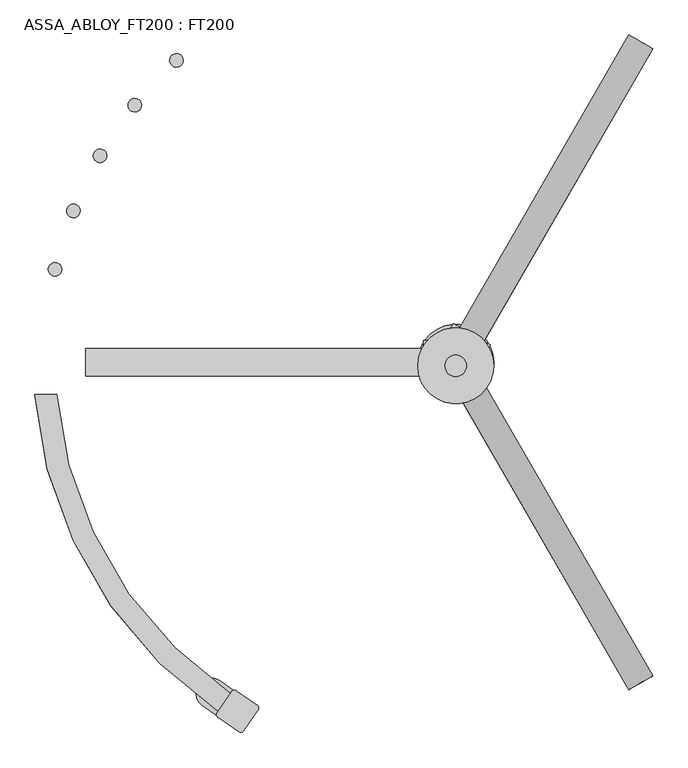
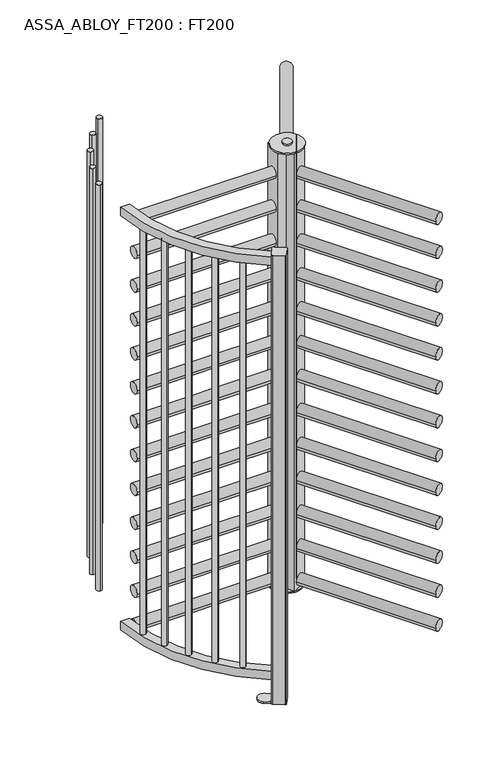
"""IFC4 building model written with IfcOpenShell, lengths in millimetres: proxy geometry, ASSA_ABLOY_FT200 : FT200."""

from ifc_helpers import new_model, si_unit, point, frame, frame_2d, origin, origin_with_axes, origin_2d, place, context, project, spatial, polyline, circle_curve, trimmed, segment, composite_curve, outline, extrude, source, transform, mapped, element, save
from ifc_brep_helpers import plane_surface, cylinder_surface, advanced_brep


def assa_abloy_ft200_ft200_decb2d0e(model_context):
    return source(origin(), model_context, "Body", "SolidModel", [
        extrude(outline(composite_curve([segment(trimmed(circle_curve(frame_2d((25.5, -2.28e-05)), 25.5), [point((25.5, 25.4999772))], [point((25.5, -25.5000228))], False, "CARTESIAN"), True, "CONTINUOUS"), segment(trimmed(circle_curve(frame_2d((25.5, -2.28e-05)), 25.5), [point((25.5, -25.5000228))], [point((25.5, 25.4999772))], False, "CARTESIAN"), True, "CONTINUOUS")], self_intersect=False)), frame((342.9175003, -594.0003728, 37.0), z_axis=(-0.49996853474322756, 0.866043569496772, 0.0), x_axis=(0.0, 0.0, 1.0)), (0.0, 0.0, 1.0), 625.9000001),
        extrude(outline(composite_curve([segment(trimmed(circle_curve(frame_2d((186.5, -2.28e-05)), 25.5), [point((186.5, 25.4999772))], [point((186.5, -25.5000228))], False, "CARTESIAN"), True, "CONTINUOUS"), segment(trimmed(circle_curve(frame_2d((186.5, -2.28e-05)), 25.5), [point((186.5, -25.5000228))], [point((186.5, 25.4999772))], False, "CARTESIAN"), True, "CONTINUOUS")], self_intersect=False)), frame((342.9175003, -594.0003728, 37.0), z_axis=(-0.49996853474322756, 0.866043569496772, 0.0), x_axis=(0.0, 0.0, 1.0)), (0.0, 0.0, 1.0), 625.9000001),
        extrude(outline(composite_curve([segment(trimmed(circle_curve(frame_2d((347.5, -2.28e-05)), 25.5), [point((347.5, 25.4999772))], [point((347.5, -25.5000228))], False, "CARTESIAN"), True, "CONTINUOUS"), segment(trimmed(circle_curve(frame_2d((347.5, -2.28e-05)), 25.5), [point((347.5, -25.5000228))], [point((347.5, 25.4999772))], False, "CARTESIAN"), True, "CONTINUOUS")], self_intersect=False)), frame((342.9175003, -594.0003728, 37.0), z_axis=(-0.49996853474322756, 0.866043569496772, 0.0), x_axis=(0.0, 0.0, 1.0)), (0.0, 0.0, 1.0), 625.9000001),
        extrude(outline(composite_curve([segment(trimmed(circle_curve(frame_2d((508.5, -2.28e-05)), 25.5), [point((508.5, 25.4999772))], [point((508.5, -25.5000228))], False, "CARTESIAN"), True, "CONTINUOUS"), segment(trimmed(circle_curve(frame_2d((508.5, -2.28e-05)), 25.5), [point((508.5, -25.5000228))], [point((508.5, 25.4999772))], False, "CARTESIAN"), True, "CONTINUOUS")], self_intersect=False)), frame((342.9175003, -594.0003728, 37.0), z_axis=(-0.49996853474322756, 0.866043569496772, 0.0), x_axis=(0.0, 0.0, 1.0)), (0.0, 0.0, 1.0), 625.9000001),
        extrude(outline(composite_curve([segment(trimmed(circle_curve(frame_2d((669.5, -2.28e-05)), 25.5), [point((669.5, 25.4999772))], [point((669.5, -25.5000228))], False, "CARTESIAN"), True, "CONTINUOUS"), segment(trimmed(circle_curve(frame_2d((669.5, -2.28e-05)), 25.5), [point((669.5, -25.5000228))], [point((669.5, 25.4999772))], False, "CARTESIAN"), True, "CONTINUOUS")], self_intersect=False)), frame((342.9175003, -594.0003728, 37.0), z_axis=(-0.49996853474322756, 0.866043569496772, 0.0), x_axis=(0.0, 0.0, 1.0)), (0.0, 0.0, 1.0), 625.9000001),
        extrude(outline(composite_curve([segment(trimmed(circle_curve(frame_2d((830.5, -2.28e-05)), 25.5), [point((830.5, 25.4999772))], [point((830.5, -25.5000228))], False, "CARTESIAN"), True, "CONTINUOUS"), segment(trimmed(circle_curve(frame_2d((830.5, -2.28e-05)), 25.5), [point((830.5, -25.5000228))], [point((830.5, 25.4999772))], False, "CARTESIAN"), True, "CONTINUOUS")], self_intersect=False)), frame((342.9175003, -594.0003728, 37.0), z_axis=(-0.49996853474322756, 0.866043569496772, 0.0), x_axis=(0.0, 0.0, 1.0)), (0.0, 0.0, 1.0), 625.9000001),
        extrude(outline(composite_curve([segment(trimmed(circle_curve(frame_2d((991.5, -2.28e-05)), 25.5), [point((991.5, 25.4999772))], [point((991.5, -25.5000228))], False, "CARTESIAN"), True, "CONTINUOUS"), segment(trimmed(circle_curve(frame_2d((991.5, -2.28e-05)), 25.5), [point((991.5, -25.5000228))], [point((991.5, 25.4999772))], False, "CARTESIAN"), True, "CONTINUOUS")], self_intersect=False)), frame((342.9175003, -594.0003728, 37.0), z_axis=(-0.49996853474322756, 0.866043569496772, 0.0), x_axis=(0.0, 0.0, 1.0)), (0.0, 0.0, 1.0), 625.9000001),
        extrude(outline(composite_curve([segment(trimmed(circle_curve(frame_2d((1152.5, -2.28e-05)), 25.5), [point((1152.5, 25.4999772))], [point((1152.5, -25.5000228))], False, "CARTESIAN"), True, "CONTINUOUS"), segment(trimmed(circle_curve(frame_2d((1152.5, -2.28e-05)), 25.5), [point((1152.5, -25.5000228))], [point((1152.5, 25.4999772))], False, "CARTESIAN"), True, "CONTINUOUS")], self_intersect=False)), frame((342.9175003, -594.0003728, 37.0), z_axis=(-0.49996853474322756, 0.866043569496772, 0.0), x_axis=(0.0, 0.0, 1.0)), (0.0, 0.0, 1.0), 625.9000001),
        extrude(outline(composite_curve([segment(trimmed(circle_curve(frame_2d((1313.5, -2.28e-05)), 25.5), [point((1313.5, 25.4999772))], [point((1313.5, -25.5000228))], False, "CARTESIAN"), True, "CONTINUOUS"), segment(trimmed(circle_curve(frame_2d((1313.5, -2.28e-05)), 25.5), [point((1313.5, -25.5000228))], [point((1313.5, 25.4999772))], False, "CARTESIAN"), True, "CONTINUOUS")], self_intersect=False)), frame((342.9175003, -594.0003728, 37.0), z_axis=(-0.49996853474322756, 0.866043569496772, 0.0), x_axis=(0.0, 0.0, 1.0)), (0.0, 0.0, 1.0), 625.9000001),
        extrude(outline(composite_curve([segment(trimmed(circle_curve(frame_2d((1474.5, -2.28e-05)), 25.5), [point((1474.5, 25.4999772))], [point((1474.5, -25.5000228))], False, "CARTESIAN"), True, "CONTINUOUS"), segment(trimmed(circle_curve(frame_2d((1474.5, -2.28e-05)), 25.5), [point((1474.5, -25.5000228))], [point((1474.5, 25.4999772))], False, "CARTESIAN"), True, "CONTINUOUS")], self_intersect=False)), frame((342.9175003, -594.0003728, 37.0), z_axis=(-0.49996853474322756, 0.866043569496772, 0.0), x_axis=(0.0, 0.0, 1.0)), (0.0, 0.0, 1.0), 625.9000001),
        extrude(outline(composite_curve([segment(trimmed(circle_curve(frame_2d((1635.5, -2.28e-05)), 25.5), [point((1635.5, 25.4999772))], [point((1635.5, -25.5000228))], False, "CARTESIAN"), True, "CONTINUOUS"), segment(trimmed(circle_curve(frame_2d((1635.5, -2.28e-05)), 25.5), [point((1635.5, -25.5000228))], [point((1635.5, 25.4999772))], False, "CARTESIAN"), True, "CONTINUOUS")], self_intersect=False)), frame((342.9175003, -594.0003728, 37.0), z_axis=(-0.49996853474322756, 0.866043569496772, 0.0), x_axis=(0.0, 0.0, 1.0)), (0.0, 0.0, 1.0), 625.9000001),
        extrude(outline(composite_curve([segment(trimmed(circle_curve(frame_2d((1796.5, -2.28e-05)), 25.5), [point((1796.5, 25.4999772))], [point((1796.5, -25.5000228))], False, "CARTESIAN"), True, "CONTINUOUS"), segment(trimmed(circle_curve(frame_2d((1796.5, -2.28e-05)), 25.5), [point((1796.5, -25.5000228))], [point((1796.5, 25.4999772))], False, "CARTESIAN"), True, "CONTINUOUS")], self_intersect=False)), frame((342.9175003, -594.0003728, 37.0), z_axis=(-0.49996853474322756, 0.866043569496772, 0.0), x_axis=(0.0, 0.0, 1.0)), (0.0, 0.0, 1.0), 625.9000001),
        extrude(outline(composite_curve([segment(trimmed(circle_curve(frame_2d((1957.5, -2.28e-05)), 25.5), [point((1957.5, 25.4999772))], [point((1957.5, -25.5000228))], False, "CARTESIAN"), True, "CONTINUOUS"), segment(trimmed(circle_curve(frame_2d((1957.5, -2.28e-05)), 25.5), [point((1957.5, -25.5000228))], [point((1957.5, 25.4999772))], False, "CARTESIAN"), True, "CONTINUOUS")], self_intersect=False)), frame((342.9175003, -594.0003728, 37.0), z_axis=(-0.49996853474322756, 0.866043569496772, 0.0), x_axis=(0.0, 0.0, 1.0)), (0.0, 0.0, 1.0), 625.9000001),
        extrude(outline(composite_curve([segment(trimmed(circle_curve(frame_2d((25.5, 2.28e-05)), 25.5), [point((25.5, -25.4999772))], [point((25.5, 25.5000228))], False, "CARTESIAN"), True, "CONTINUOUS"), segment(trimmed(circle_curve(frame_2d((25.5, 2.28e-05)), 25.5), [point((25.5, 25.5000228))], [point((25.5, -25.4999772))], False, "CARTESIAN"), True, "CONTINUOUS")], self_intersect=False)), frame((29.9917907, 51.946396, 37.0), z_axis=(0.5000065646043345, 0.8660216136751852, 0.0), x_axis=(0.0, 0.0, 1.0)), (0.0, 0.0, 1.0), 625.9),
        extrude(outline(composite_curve([segment(trimmed(circle_curve(frame_2d((186.5, 2.28e-05)), 25.5), [point((186.5, -25.4999772))], [point((186.5, 25.5000228))], False, "CARTESIAN"), True, "CONTINUOUS"), segment(trimmed(circle_curve(frame_2d((186.5, 2.28e-05)), 25.5), [point((186.5, 25.5000228))], [point((186.5, -25.4999772))], False, "CARTESIAN"), True, "CONTINUOUS")], self_intersect=False)), frame((29.9917907, 51.946396, 37.0), z_axis=(0.5000065646043345, 0.8660216136751852, 0.0), x_axis=(0.0, 0.0, 1.0)), (0.0, 0.0, 1.0), 625.9),
        extrude(outline(composite_curve([segment(trimmed(circle_curve(frame_2d((347.5, 2.28e-05)), 25.5), [point((347.5, -25.4999772))], [point((347.5, 25.5000228))], False, "CARTESIAN"), True, "CONTINUOUS"), segment(trimmed(circle_curve(frame_2d((347.5, 2.28e-05)), 25.5), [point((347.5, 25.5000228))], [point((347.5, -25.4999772))], False, "CARTESIAN"), True, "CONTINUOUS")], self_intersect=False)), frame((29.9917907, 51.946396, 37.0), z_axis=(0.5000065646043345, 0.8660216136751852, 0.0), x_axis=(0.0, 0.0, 1.0)), (0.0, 0.0, 1.0), 625.9),
        extrude(outline(composite_curve([segment(trimmed(circle_curve(frame_2d((508.5, 2.28e-05)), 25.5), [point((508.5, -25.4999772))], [point((508.5, 25.5000228))], False, "CARTESIAN"), True, "CONTINUOUS"), segment(trimmed(circle_curve(frame_2d((508.5, 2.28e-05)), 25.5), [point((508.5, 25.5000228))], [point((508.5, -25.4999772))], False, "CARTESIAN"), True, "CONTINUOUS")], self_intersect=False)), frame((29.9917907, 51.946396, 37.0), z_axis=(0.5000065646043345, 0.8660216136751852, 0.0), x_axis=(0.0, 0.0, 1.0)), (0.0, 0.0, 1.0), 625.9),
        extrude(outline(composite_curve([segment(trimmed(circle_curve(frame_2d((669.5, 2.28e-05)), 25.5), [point((669.5, -25.4999772))], [point((669.5, 25.5000228))], False, "CARTESIAN"), True, "CONTINUOUS"), segment(trimmed(circle_curve(frame_2d((669.5, 2.28e-05)), 25.5), [point((669.5, 25.5000228))], [point((669.5, -25.4999772))], False, "CARTESIAN"), True, "CONTINUOUS")], self_intersect=False)), frame((29.9917907, 51.946396, 37.0), z_axis=(0.5000065646043345, 0.8660216136751852, 0.0), x_axis=(0.0, 0.0, 1.0)), (0.0, 0.0, 1.0), 625.9),
        extrude(outline(composite_curve([segment(trimmed(circle_curve(frame_2d((830.5, 2.28e-05)), 25.5), [point((830.5, -25.4999772))], [point((830.5, 25.5000228))], False, "CARTESIAN"), True, "CONTINUOUS"), segment(trimmed(circle_curve(frame_2d((830.5, 2.28e-05)), 25.5), [point((830.5, 25.5000228))], [point((830.5, -25.4999772))], False, "CARTESIAN"), True, "CONTINUOUS")], self_intersect=False)), frame((29.9917907, 51.946396, 37.0), z_axis=(0.5000065646043345, 0.8660216136751852, 0.0), x_axis=(0.0, 0.0, 1.0)), (0.0, 0.0, 1.0), 625.9),
        extrude(outline(composite_curve([segment(trimmed(circle_curve(frame_2d((991.5, 2.28e-05)), 25.5), [point((991.5, -25.4999772))], [point((991.5, 25.5000228))], False, "CARTESIAN"), True, "CONTINUOUS"), segment(trimmed(circle_curve(frame_2d((991.5, 2.28e-05)), 25.5), [point((991.5, 25.5000228))], [point((991.5, -25.4999772))], False, "CARTESIAN"), True, "CONTINUOUS")], self_intersect=False)), frame((29.9917907, 51.946396, 37.0), z_axis=(0.5000065646043345, 0.8660216136751852, 0.0), x_axis=(0.0, 0.0, 1.0)), (0.0, 0.0, 1.0), 625.9),
        extrude(outline(composite_curve([segment(trimmed(circle_curve(frame_2d((1152.5, 2.28e-05)), 25.5), [point((1152.5, -25.4999772))], [point((1152.5, 25.5000228))], False, "CARTESIAN"), True, "CONTINUOUS"), segment(trimmed(circle_curve(frame_2d((1152.5, 2.28e-05)), 25.5), [point((1152.5, 25.5000228))], [point((1152.5, -25.4999772))], False, "CARTESIAN"), True, "CONTINUOUS")], self_intersect=False)), frame((29.9917907, 51.946396, 37.0), z_axis=(0.5000065646043345, 0.8660216136751852, 0.0), x_axis=(0.0, 0.0, 1.0)), (0.0, 0.0, 1.0), 625.9),
        extrude(outline(composite_curve([segment(trimmed(circle_curve(frame_2d((1313.5, 2.28e-05)), 25.5), [point((1313.5, -25.4999772))], [point((1313.5, 25.5000228))], False, "CARTESIAN"), True, "CONTINUOUS"), segment(trimmed(circle_curve(frame_2d((1313.5, 2.28e-05)), 25.5), [point((1313.5, 25.5000228))], [point((1313.5, -25.4999772))], False, "CARTESIAN"), True, "CONTINUOUS")], self_intersect=False)), frame((29.9917907, 51.946396, 37.0), z_axis=(0.5000065646043345, 0.8660216136751852, 0.0), x_axis=(0.0, 0.0, 1.0)), (0.0, 0.0, 1.0), 625.9),
        extrude(outline(composite_curve([segment(trimmed(circle_curve(frame_2d((1474.5, 2.28e-05)), 25.5), [point((1474.5, -25.4999772))], [point((1474.5, 25.5000228))], False, "CARTESIAN"), True, "CONTINUOUS"), segment(trimmed(circle_curve(frame_2d((1474.5, 2.28e-05)), 25.5), [point((1474.5, 25.5000228))], [point((1474.5, -25.4999772))], False, "CARTESIAN"), True, "CONTINUOUS")], self_intersect=False)), frame((29.9917907, 51.946396, 37.0), z_axis=(0.5000065646043345, 0.8660216136751852, 0.0), x_axis=(0.0, 0.0, 1.0)), (0.0, 0.0, 1.0), 625.9),
        extrude(outline(composite_curve([segment(trimmed(circle_curve(frame_2d((1635.5, 2.28e-05)), 25.5), [point((1635.5, -25.4999772))], [point((1635.5, 25.5000228))], False, "CARTESIAN"), True, "CONTINUOUS"), segment(trimmed(circle_curve(frame_2d((1635.5, 2.28e-05)), 25.5), [point((1635.5, 25.5000228))], [point((1635.5, -25.4999772))], False, "CARTESIAN"), True, "CONTINUOUS")], self_intersect=False)), frame((29.9917907, 51.946396, 37.0), z_axis=(0.5000065646043345, 0.8660216136751852, 0.0), x_axis=(0.0, 0.0, 1.0)), (0.0, 0.0, 1.0), 625.9),
        extrude(outline(composite_curve([segment(trimmed(circle_curve(frame_2d((1796.5, 2.28e-05)), 25.5), [point((1796.5, -25.4999772))], [point((1796.5, 25.5000228))], False, "CARTESIAN"), True, "CONTINUOUS"), segment(trimmed(circle_curve(frame_2d((1796.5, 2.28e-05)), 25.5), [point((1796.5, 25.5000228))], [point((1796.5, -25.4999772))], False, "CARTESIAN"), True, "CONTINUOUS")], self_intersect=False)), frame((29.9917907, 51.946396, 37.0), z_axis=(0.5000065646043345, 0.8660216136751852, 0.0), x_axis=(0.0, 0.0, 1.0)), (0.0, 0.0, 1.0), 625.9),
        extrude(outline(composite_curve([segment(trimmed(circle_curve(frame_2d((1957.5, 2.28e-05)), 25.5), [point((1957.5, -25.4999772))], [point((1957.5, 25.5000228))], False, "CARTESIAN"), True, "CONTINUOUS"), segment(trimmed(circle_curve(frame_2d((1957.5, 2.28e-05)), 25.5), [point((1957.5, 25.5000228))], [point((1957.5, -25.4999772))], False, "CARTESIAN"), True, "CONTINUOUS")], self_intersect=False)), frame((29.9917907, 51.946396, 37.0), z_axis=(0.5000065646043345, 0.8660216136751852, 0.0), x_axis=(0.0, 0.0, 1.0)), (0.0, 0.0, 1.0), 625.9),
        extrude(outline(composite_curve([segment(trimmed(circle_curve(frame_2d((0.0, 62.5)), 25.5), [point((-25.5, 62.5))], [point((25.5, 62.5))], False, "CARTESIAN"), True, "CONTINUOUS"), segment(trimmed(circle_curve(frame_2d((0.0, 62.5)), 25.5), [point((25.5, 62.5))], [point((-25.5, 62.5))], False, "CARTESIAN"), True, "CONTINUOUS")], self_intersect=False)), frame((-685.9, 0.0, 0.0), z_axis=(1.0, 0.0, 0.0), x_axis=(0.0, 1.0, 0.0)), (0.0, 0.0, 1.0), 625.9),
        extrude(outline(composite_curve([segment(trimmed(circle_curve(frame_2d((0.0, 223.5)), 25.5), [point((-25.5, 223.5))], [point((25.5, 223.5))], False, "CARTESIAN"), True, "CONTINUOUS"), segment(trimmed(circle_curve(frame_2d((0.0, 223.5)), 25.5), [point((25.5, 223.5))], [point((-25.5, 223.5))], False, "CARTESIAN"), True, "CONTINUOUS")], self_intersect=False)), frame((-685.9, 0.0, 0.0), z_axis=(1.0, 0.0, 0.0), x_axis=(0.0, 1.0, 0.0)), (0.0, 0.0, 1.0), 625.9),
        extrude(outline(composite_curve([segment(trimmed(circle_curve(frame_2d((0.0, 384.5)), 25.5), [point((-25.5, 384.5))], [point((25.5, 384.5))], False, "CARTESIAN"), True, "CONTINUOUS"), segment(trimmed(circle_curve(frame_2d((0.0, 384.5)), 25.5), [point((25.5, 384.5))], [point((-25.5, 384.5))], False, "CARTESIAN"), True, "CONTINUOUS")], self_intersect=False)), frame((-685.9, 0.0, 0.0), z_axis=(1.0, 0.0, 0.0), x_axis=(0.0, 1.0, 0.0)), (0.0, 0.0, 1.0), 625.9),
        extrude(outline(composite_curve([segment(trimmed(circle_curve(frame_2d((0.0, 545.5)), 25.5), [point((-25.5, 545.5))], [point((25.5, 545.5))], False, "CARTESIAN"), True, "CONTINUOUS"), segment(trimmed(circle_curve(frame_2d((0.0, 545.5)), 25.5), [point((25.5, 545.5))], [point((-25.5, 545.5))], False, "CARTESIAN"), True, "CONTINUOUS")], self_intersect=False)), frame((-685.9, 0.0, 0.0), z_axis=(1.0, 0.0, 0.0), x_axis=(0.0, 1.0, 0.0)), (0.0, 0.0, 1.0), 625.9),
        extrude(outline(composite_curve([segment(trimmed(circle_curve(frame_2d((0.0, 706.5)), 25.5), [point((-25.5, 706.5))], [point((25.5, 706.5))], False, "CARTESIAN"), True, "CONTINUOUS"), segment(trimmed(circle_curve(frame_2d((0.0, 706.5)), 25.5), [point((25.5, 706.5))], [point((-25.5, 706.5))], False, "CARTESIAN"), True, "CONTINUOUS")], self_intersect=False)), frame((-685.9, 0.0, 0.0), z_axis=(1.0, 0.0, 0.0), x_axis=(0.0, 1.0, 0.0)), (0.0, 0.0, 1.0), 625.9),
        extrude(outline(composite_curve([segment(trimmed(circle_curve(frame_2d((0.0, 867.5)), 25.5), [point((-25.5, 867.5))], [point((25.5, 867.5))], False, "CARTESIAN"), True, "CONTINUOUS"), segment(trimmed(circle_curve(frame_2d((0.0, 867.5)), 25.5), [point((25.5, 867.5))], [point((-25.5, 867.5))], False, "CARTESIAN"), True, "CONTINUOUS")], self_intersect=False)), frame((-685.9, 0.0, 0.0), z_axis=(1.0, 0.0, 0.0), x_axis=(0.0, 1.0, 0.0)), (0.0, 0.0, 1.0), 625.9),
        extrude(outline(composite_curve([segment(trimmed(circle_curve(frame_2d((0.0, 1028.5)), 25.5), [point((-25.5, 1028.5))], [point((25.5, 1028.5))], False, "CARTESIAN"), True, "CONTINUOUS"), segment(trimmed(circle_curve(frame_2d((0.0, 1028.5)), 25.5), [point((25.5, 1028.5))], [point((-25.5, 1028.5))], False, "CARTESIAN"), True, "CONTINUOUS")], self_intersect=False)), frame((-685.9, 0.0, 0.0), z_axis=(1.0, 0.0, 0.0), x_axis=(0.0, 1.0, 0.0)), (0.0, 0.0, 1.0), 625.9),
        extrude(outline(composite_curve([segment(trimmed(circle_curve(frame_2d((0.0, 1189.5)), 25.5), [point((-25.5, 1189.5))], [point((25.5, 1189.5))], False, "CARTESIAN"), True, "CONTINUOUS"), segment(trimmed(circle_curve(frame_2d((0.0, 1189.5)), 25.5), [point((25.5, 1189.5))], [point((-25.5, 1189.5))], False, "CARTESIAN"), True, "CONTINUOUS")], self_intersect=False)), frame((-685.9, 0.0, 0.0), z_axis=(1.0, 0.0, 0.0), x_axis=(0.0, 1.0, 0.0)), (0.0, 0.0, 1.0), 625.9),
        extrude(outline(composite_curve([segment(trimmed(circle_curve(frame_2d((0.0, 1350.5)), 25.5), [point((-25.5, 1350.5))], [point((25.5, 1350.5))], False, "CARTESIAN"), True, "CONTINUOUS"), segment(trimmed(circle_curve(frame_2d((0.0, 1350.5)), 25.5), [point((25.5, 1350.5))], [point((-25.5, 1350.5))], False, "CARTESIAN"), True, "CONTINUOUS")], self_intersect=False)), frame((-685.9, 0.0, 0.0), z_axis=(1.0, 0.0, 0.0), x_axis=(0.0, 1.0, 0.0)), (0.0, 0.0, 1.0), 625.9),
        extrude(outline(composite_curve([segment(trimmed(circle_curve(frame_2d((0.0, 1511.5)), 25.5), [point((-25.5, 1511.5))], [point((25.5, 1511.5))], False, "CARTESIAN"), True, "CONTINUOUS"), segment(trimmed(circle_curve(frame_2d((0.0, 1511.5)), 25.5), [point((25.5, 1511.5))], [point((-25.5, 1511.5))], False, "CARTESIAN"), True, "CONTINUOUS")], self_intersect=False)), frame((-685.9, 0.0, 0.0), z_axis=(1.0, 0.0, 0.0), x_axis=(0.0, 1.0, 0.0)), (0.0, 0.0, 1.0), 625.9),
        extrude(outline(composite_curve([segment(trimmed(circle_curve(frame_2d((0.0, 1672.5)), 25.5), [point((-25.5, 1672.5))], [point((25.5, 1672.5))], False, "CARTESIAN"), True, "CONTINUOUS"), segment(trimmed(circle_curve(frame_2d((0.0, 1672.5)), 25.5), [point((25.5, 1672.5))], [point((-25.5, 1672.5))], False, "CARTESIAN"), True, "CONTINUOUS")], self_intersect=False)), frame((-685.9, 0.0, 0.0), z_axis=(1.0, 0.0, 0.0), x_axis=(0.0, 1.0, 0.0)), (0.0, 0.0, 1.0), 625.9),
        extrude(outline(composite_curve([segment(trimmed(circle_curve(frame_2d((0.0, 1833.5)), 25.5), [point((-25.5, 1833.5))], [point((25.5, 1833.5))], False, "CARTESIAN"), True, "CONTINUOUS"), segment(trimmed(circle_curve(frame_2d((0.0, 1833.5)), 25.5), [point((25.5, 1833.5))], [point((-25.5, 1833.5))], False, "CARTESIAN"), True, "CONTINUOUS")], self_intersect=False)), frame((-685.9, 0.0, 0.0), z_axis=(1.0, 0.0, 0.0), x_axis=(0.0, 1.0, 0.0)), (0.0, 0.0, 1.0), 625.9),
        extrude(outline(composite_curve([segment(trimmed(circle_curve(frame_2d((0.0, 1994.5)), 25.5), [point((-25.5, 1994.5))], [point((25.5, 1994.5))], False, "CARTESIAN"), True, "CONTINUOUS"), segment(trimmed(circle_curve(frame_2d((0.0, 1994.5)), 25.5), [point((25.5, 1994.5))], [point((-25.5, 1994.5))], False, "CARTESIAN"), True, "CONTINUOUS")], self_intersect=False)), frame((-685.9, 0.0, 0.0), z_axis=(1.0, 0.0, 0.0), x_axis=(0.0, 1.0, 0.0)), (0.0, 0.0, 1.0), 625.9),
        extrude(outline(composite_curve([segment(trimmed(circle_curve(frame_2d((-0.0003681, -6.5842658)), 20.0), [point((19.9996319, -6.5842658))], [point((-20.0003681, -6.5842658))], False, "CARTESIAN"), True, "CONTINUOUS"), segment(trimmed(circle_curve(frame_2d((-0.0003681, -6.5842658)), 20.0), [point((-20.0003681, -6.5842658))], [point((19.9996319, -6.5842658))], False, "CARTESIAN"), True, "CONTINUOUS")], self_intersect=False)), frame((0.0, 0.0, 2116.4999542), z_axis=(0.0, 0.0, 1.0), x_axis=(1.0, 0.0, 0.0)), (0.0, 0.0, 1.0), 8.5),
        extrude(outline(composite_curve([segment(trimmed(circle_curve(frame_2d((-0.0003681, -6.5842658)), 70.5), [point((70.4996319, -6.5842658))], [point((-70.5003681, -6.5842658))], False, "CARTESIAN"), True, "CONTINUOUS"), segment(trimmed(circle_curve(frame_2d((-0.0003681, -6.5842658)), 70.5), [point((-70.5003681, -6.5842658))], [point((70.4996319, -6.5842658))], False, "CARTESIAN"), True, "CONTINUOUS")], self_intersect=False)), frame((0.0, 0.0, 2110.4999695), z_axis=(0.0, 0.0, 1.0), x_axis=(1.0, 0.0, 0.0)), (0.0, 0.0, 1.0), 5.9999847),
        extrude(outline(composite_curve([segment(trimmed(circle_curve(frame_2d((-0.0003681, 0.0)), 20.0), [point((19.9996319, 0.0))], [point((-20.0003681, 0.0))], False, "CARTESIAN"), True, "CONTINUOUS"), segment(trimmed(circle_curve(frame_2d((-0.0003681, 0.0)), 20.0), [point((-20.0003681, 0.0))], [point((19.9996319, 0.0))], False, "CARTESIAN"), True, "CONTINUOUS")], self_intersect=False)), frame((0.0, 0.0, 8.0), z_axis=(0.0, 0.0, 1.0), x_axis=(1.0, 0.0, 0.0)), (0.0, 0.0, 1.0), 13.0),
        extrude(outline(composite_curve([segment(trimmed(circle_curve(frame_2d((-0.0003681, 0.0)), 70.5), [point((70.4996319, 0.0))], [point((-70.5003681, 0.0))], False, "CARTESIAN"), True, "CONTINUOUS"), segment(trimmed(circle_curve(frame_2d((-0.0003681, 0.0)), 70.5), [point((-70.5003681, 0.0))], [point((70.4996319, 0.0))], False, "CARTESIAN"), True, "CONTINUOUS")], self_intersect=False)), frame((0.0, 0.0, 21.0), z_axis=(0.0, 0.0, 1.0), x_axis=(1.0, 0.0, 0.0)), (0.0, 0.0, 1.0), 5.9999847),
        extrude(outline(polyline([(-23.0942963, 39.9999606), (-4.6494225, 71.9468599), (64.6324519, 31.9462508), (46.1879562, 0.0), (63.2809074, -32.7231813), (-4.2026102, -71.6815392), (-23.0942625, -40.0000191), (-60.0, -40.0000191), (-60.0, 39.9999734), (-23.0942963, 39.9999606)])), frame((0.0, 0.0, 26.9999847), z_axis=(0.0, 0.0, 1.0), x_axis=(1.0, 0.0, 0.0)), (0.0, 0.0, 1.0), 2083.4999847),
        advanced_brep(
        [(-739.8778981, -184.2583889, 148.5), (-745.5035047, -159.8995664, 148.5), (-739.8778981, -184.2583889, 2077.0), (-745.4688441, -159.8915876, 2077.0)],
        [
            (0, 1, circle_curve(frame((-742.6820377, -172.0769768, 148.5), z_axis=(0.0, 0.0, -1.0), x_axis=(-0.22571736015093902, 0.9741928316952919, 0.0)), 12.5)),
            (1, 0, circle_curve(frame((-742.6820377, -172.0769768, 148.5), z_axis=(0.0, 0.0, -1.0), x_axis=(-0.22571736015093902, 0.9741928316952919, 0.0)), 12.5)),
            (2, 3, circle_curve(frame((-742.6820377, -172.0769768, 2077.0), z_axis=(0.0, 0.0, 1.0), x_axis=(-0.22571736015093902, 0.9741928316952919, 0.0)), 12.5)),
            (3, 2, circle_curve(frame((-742.6820377, -172.0769768, 2077.0), z_axis=(0.0, 0.0, 1.0), x_axis=(-0.22571736015093902, 0.9741928316952919, 0.0)), 12.5)),
            (0, 2),
            (3, 1),
        ],
        [
            plane_surface(frame((-742.7246149, -172.0869154, 148.5), z_axis=(0.0, 0.0, -1.0), x_axis=(-0.9741928316952919, -0.22571736015093902, 0.0))),
            plane_surface(frame((-742.7246149, -172.0869154, 2077.0), z_axis=(0.0, 0.0, 1.0), x_axis=(-0.9741928316952919, -0.22571736015093902, 0.0))),
            cylinder_surface(frame((-742.6820377, -172.0769768, 148.5), z_axis=(0.0, 0.0, -1.0), x_axis=(-0.22571736015093902, 0.9741928316952919, 0.0)), 12.5),
        ],
        [
            (0, [[1, 2]]),
            (1, [[3, 4]]),
            (2, [[-1, 5, -4, 6]]),
            (2, [[-2, -6, -3, -5]]),
        ],
    ),
        advanced_brep(
        [(-713.5184052, -268.8158202, 148.5), (-704.2725675, -292.0432645, 148.5), (-713.5184052, -268.8158202, 2077.0), (-704.3056197, -292.0563939, 2077.0)],
        [
            (0, 1, circle_curve(frame((-708.903747, -280.4328306, 148.5), z_axis=(0.0, 0.0, -1.0), x_axis=(-0.36785018396747954, 0.9298850693258235, 0.0)), 12.5)),
            (1, 0, circle_curve(frame((-708.903747, -280.4328306, 148.5), z_axis=(0.0, 0.0, -1.0), x_axis=(-0.36785018396747954, 0.9298850693258235, 0.0)), 12.5)),
            (2, 3, circle_curve(frame((-708.903747, -280.4328306, 2077.0), z_axis=(0.0, 0.0, 1.0), x_axis=(-0.36785018396747954, 0.9298850693258235, 0.0)), 12.5)),
            (3, 2, circle_curve(frame((-708.903747, -280.4328306, 2077.0), z_axis=(0.0, 0.0, 1.0), x_axis=(-0.36785018396747954, 0.9298850693258235, 0.0)), 12.5)),
            (0, 2),
            (3, 1),
        ],
        [
            plane_surface(frame((-708.9443769, -280.4489803, 148.5), z_axis=(0.0, 0.0, -1.0000000000000002), x_axis=(-0.9298850693258235, -0.36785018396747954, 0.0))),
            plane_surface(frame((-708.9443769, -280.4489803, 2077.0), z_axis=(0.0, 0.0, 1.0000000000000002), x_axis=(-0.9298850693258235, -0.36785018396747954, 0.0))),
            cylinder_surface(frame((-708.903747, -280.4328306, 148.5), z_axis=(0.0, 0.0, -1.0000000000000002), x_axis=(-0.36785018396747954, 0.9298850693258235, 0.0)), 12.5),
        ],
        [
            (0, [[1, 2]]),
            (1, [[3, 4]]),
            (2, [[-1, 5, -4, 6]]),
            (2, [[-2, -6, -3, -5]]),
        ],
    ),
        advanced_brep(
        [(-665.7009086, -371.7697674, 148.5), (-653.1090562, -393.3671037, 148.5), (-665.7009086, -371.7697674, 2077.0), (-653.1397929, -393.3849948, 2077.0)],
        [
            (0, 1, circle_curve(frame((-659.4126634, -382.5729138, 148.5), z_axis=(0.0, 0.0, -1.0), x_axis=(-0.5018296388362806, 0.8649664811918716, 0.0)), 12.5)),
            (1, 0, circle_curve(frame((-659.4126634, -382.5729138, 148.5), z_axis=(0.0, 0.0, -1.0), x_axis=(-0.5018296388362806, 0.8649664811918716, 0.0)), 12.5)),
            (2, 3, circle_curve(frame((-659.4126634, -382.5729138, 2077.0), z_axis=(0.0, 0.0, 1.0), x_axis=(-0.5018296388362806, 0.8649664811918716, 0.0)), 12.5)),
            (3, 2, circle_curve(frame((-659.4126634, -382.5729138, 2077.0), z_axis=(0.0, 0.0, 1.0), x_axis=(-0.5018296388362806, 0.8649664811918716, 0.0)), 12.5)),
            (0, 2),
            (3, 1),
        ],
        [
            plane_surface(frame((-659.4504453, -382.5949166, 148.5), z_axis=(0.0, 0.0, -1.0000000000000002), x_axis=(-0.8649664811918716, -0.5018296388362806, 0.0))),
            plane_surface(frame((-659.4504453, -382.5949166, 2077.0), z_axis=(0.0, 0.0, 1.0000000000000002), x_axis=(-0.8649664811918716, -0.5018296388362806, 0.0))),
            cylinder_surface(frame((-659.4126634, -382.5729138, 148.5), z_axis=(0.0, 0.0, -1.0000000000000002), x_axis=(-0.5018296388362806, 0.8649664811918716, 0.0)), 12.5),
        ],
        [
            (0, [[1, 2]]),
            (1, [[3, 4]]),
            (2, [[-1, 5, -4, 6]]),
            (2, [[-2, -6, -3, -5]]),
        ],
    ),
        advanced_brep(
        [(-602.9492767, -466.7147195, 148.5), (-587.2830347, -486.1972385, 148.5), (-602.9492767, -466.7147195, 2077.0), (-587.310766, -486.2195053, 2077.0)],
        [
            (0, 1, circle_curve(frame((-595.1230845, -476.4615507, 148.5), z_axis=(0.0, 0.0, -1.0), x_axis=(-0.6249854827810993, 0.7806363726555895, 0.0)), 12.5)),
            (1, 0, circle_curve(frame((-595.1230845, -476.4615507, 148.5), z_axis=(0.0, 0.0, -1.0), x_axis=(-0.6249854827810993, 0.7806363726555895, 0.0)), 12.5)),
            (2, 3, circle_curve(frame((-595.1230845, -476.4615507, 2077.0), z_axis=(0.0, 0.0, 1.0), x_axis=(-0.6249854827810993, 0.7806363726555895, 0.0)), 12.5)),
            (3, 2, circle_curve(frame((-595.1230845, -476.4615507, 2077.0), z_axis=(0.0, 0.0, 1.0), x_axis=(-0.6249854827810993, 0.7806363726555895, 0.0)), 12.5)),
            (0, 2),
            (3, 1),
        ],
        [
            plane_surface(frame((-595.1571705, -476.4889321, 148.5), z_axis=(0.0, 0.0, -1.0000000000000002), x_axis=(-0.7806363726555895, -0.6249854827810993, 0.0))),
            plane_surface(frame((-595.1571705, -476.4889321, 2077.0), z_axis=(0.0, 0.0, 1.0000000000000002), x_axis=(-0.7806363726555895, -0.6249854827810993, 0.0))),
            cylinder_surface(frame((-595.1230845, -476.4615507, 148.5), z_axis=(0.0, 0.0, -1.0000000000000002), x_axis=(-0.6249854827810993, 0.7806363726555895, 0.0)), 12.5),
        ],
        [
            (0, [[1, 2]]),
            (1, [[3, 4]]),
            (2, [[-1, 5, -4, 6]]),
            (2, [[-2, -6, -3, -5]]),
        ],
    ),
        advanced_brep(
        [(-526.9315336, -551.0504511, 148.5), (-508.5774477, -568.0247706, 148.5), (-526.9315336, -551.0504511, 2077.0), (-508.5805001, -568.0280705, 2077.0)],
        [
            (0, 1, circle_curve(frame((-517.7552537, -559.5384359, 148.5), z_axis=(0.0, 0.0, -1.0), x_axis=(-0.733980288863185, 0.6791707705432527, 0.0)), 12.5)),
            (1, 0, circle_curve(frame((-517.7552537, -559.5384359, 148.5), z_axis=(0.0, 0.0, -1.0), x_axis=(-0.733980288863185, 0.6791707705432527, 0.0)), 12.5)),
            (2, 3, circle_curve(frame((-517.7552537, -559.5384359, 2077.0), z_axis=(0.0, 0.0, 1.0), x_axis=(-0.733980288863185, 0.6791707705432527, 0.0)), 12.5)),
            (3, 2, circle_curve(frame((-517.7552537, -559.5384359, 2077.0), z_axis=(0.0, 0.0, 1.0), x_axis=(-0.733980288863185, 0.6791707705432527, 0.0)), 12.5)),
            (0, 2),
            (3, 1),
        ],
        [
            plane_surface(frame((-517.7997955, -559.5865722, 148.5), z_axis=(0.0, 0.0, -1.0000000000000002), x_axis=(-0.6791707705432527, -0.733980288863185, 0.0))),
            plane_surface(frame((-517.7997955, -559.5865722, 2077.0), z_axis=(0.0, 0.0, 1.0000000000000002), x_axis=(-0.6791707705432527, -0.733980288863185, 0.0))),
            cylinder_surface(frame((-517.7552537, -559.5384359, 148.5), z_axis=(0.0, 0.0, -1.0000000000000002), x_axis=(-0.733980288863185, 0.6791707705432527, 0.0)), 12.5),
        ],
        [
            (0, [[1, 2]]),
            (1, [[3, 4]]),
            (2, [[-1, 5, -4, 6]]),
            (2, [[-2, -6, -3, -5]]),
        ],
    ),
        extrude(outline(composite_curve([segment(polyline([(-418.0774898, -613.5685405), (-440.6012269, -646.6242702)]), True, "CONTINUOUS"), segment(trimmed(circle_curve(origin_2d(), 782.4655826), [point((-440.6012269, -646.6242702))], [point((-780.1617704, -60.0))], False, "CARTESIAN"), True, "CONTINUOUS"), segment(polyline([(-780.1617704, -60.0), (-740.0372567, -60.0)]), True, "CONTINUOUS"), segment(trimmed(circle_curve(origin_2d(), 742.4655826), [point((-740.0372567, -60.0))], [point((-418.0774898, -613.5685405))], True, "CARTESIAN"), True, "CONTINUOUS")], self_intersect=False)), frame((0.0, 0.0, 108.5), z_axis=(0.0, 0.0, 1.0), x_axis=(1.0, 0.0, 0.0)), (0.0, 0.0, 1.0), 40.0),
        extrude(outline(composite_curve([segment(polyline([(-418.0774898, -613.5685405), (-440.6012269, -646.6242702)]), True, "CONTINUOUS"), segment(trimmed(circle_curve(origin_2d(), 782.4655826), [point((-440.6012269, -646.6242702))], [point((-780.1617704, -60.0))], False, "CARTESIAN"), True, "CONTINUOUS"), segment(polyline([(-780.1617704, -60.0), (-740.0372567, -60.0)]), True, "CONTINUOUS"), segment(trimmed(circle_curve(origin_2d(), 742.4655826), [point((-740.0372567, -60.0))], [point((-418.0774898, -613.5685405))], True, "CARTESIAN"), True, "CONTINUOUS")], self_intersect=False)), frame((0.0, 0.0, 2077.0), z_axis=(0.0, 0.0, 1.0), x_axis=(1.0, 0.0, 0.0)), (0.0, 0.0, 1.0), 40.0),
        extrude(outline(composite_curve([segment(polyline([(-401.9204923, -685.0022278), (-440.9063153, -658.4378035)]), True, "CONTINUOUS"), segment(trimmed(circle_curve(frame_2d((-437.3025174, -653.1488868)), 6.4), [point((-440.9063153, -658.4378035))], [point((-442.5914341, -649.5450888))], False, "CARTESIAN"), True, "CONTINUOUS"), segment(polyline([(-442.5914341, -649.5450888), (-416.0134244, -610.5393278)]), True, "CONTINUOUS"), segment(trimmed(circle_curve(frame_2d((-410.7245076, -614.1431257)), 6.4), [point((-416.0134244, -610.5393278))], [point((-407.1207097, -608.854209))], False, "CARTESIAN"), True, "CONTINUOUS"), segment(polyline([(-407.1207097, -608.854209), (-368.1348866, -635.4186332)]), True, "CONTINUOUS"), segment(trimmed(circle_curve(frame_2d((-371.7386846, -640.70755)), 6.4), [point((-368.1348866, -635.4186332))], [point((-366.4497678, -644.3113479))], False, "CARTESIAN"), True, "CONTINUOUS"), segment(polyline([(-366.4497678, -644.3113479), (-393.0277776, -683.317109)]), True, "CONTINUOUS"), segment(trimmed(circle_curve(frame_2d((-398.3166943, -679.7133111)), 6.4), [point((-393.0277776, -683.317109))], [point((-401.9204923, -685.0022278))], False, "CARTESIAN"), True, "CONTINUOUS")], self_intersect=False)), origin_with_axes(), (0.0, 0.0, 1.0), 2130.0),
        extrude(outline(composite_curve([segment(polyline([(-413.4988841, -606.8490005), (-445.0321161, -653.1270221)]), True, "CONTINUOUS"), segment(trimmed(circle_curve(frame_2d((0.0170756, 0.0250601)), 790.3647421), [point((-445.0321161, -653.1270221))], [point((-470.3897449, -635.1078778))], False, "CARTESIAN"), True, "CONTINUOUS"), segment(trimmed(circle_curve(frame_2d((-453.7247922, -612.6072255)), 28.0), [point((-470.3897449, -635.1078778))], [point((-437.0598396, -590.1065732))], False, "CARTESIAN"), True, "CONTINUOUS"), segment(trimmed(circle_curve(frame_2d((0.0170756, 0.0250601)), 734.3647421), [point((-437.0598396, -590.1065732))], [point((-413.4988841, -606.8490005))], True, "CARTESIAN"), True, "CONTINUOUS")], self_intersect=False)), origin_with_axes(), (0.0, 0.0, 1.0), 8.0),
        advanced_brep(
        [(-739.8778981, 184.2583889, 148.5), (-745.4688441, 159.8915876, 148.5), (-739.8778981, 184.2583889, 2077.0), (-745.5035047, 159.8995664, 2077.0)],
        [
            (0, 1, circle_curve(frame((-742.6820377, 172.0769768, 148.5), z_axis=(0.0, 0.0, -1.0), x_axis=(-0.22571736015093902, -0.9741928316952919, 0.0)), 12.5)),
            (1, 0, circle_curve(frame((-742.6820377, 172.0769768, 148.5), z_axis=(0.0, 0.0, -1.0), x_axis=(-0.22571736015093902, -0.9741928316952919, 0.0)), 12.5)),
            (2, 3, circle_curve(frame((-742.6820377, 172.0769768, 2077.0), z_axis=(0.0, 0.0, 1.0), x_axis=(-0.22571736015093902, -0.9741928316952919, 0.0)), 12.5)),
            (3, 2, circle_curve(frame((-742.6820377, 172.0769768, 2077.0), z_axis=(0.0, 0.0, 1.0), x_axis=(-0.22571736015093902, -0.9741928316952919, 0.0)), 12.5)),
            (1, 3),
            (2, 0),
        ],
        [
            plane_surface(frame((-742.7246149, 172.0869154, 148.5), z_axis=(0.0, 0.0, -1.0), x_axis=(-0.9741928316952919, 0.22571736015093902, 0.0))),
            plane_surface(frame((-742.7246149, 172.0869154, 2077.0), z_axis=(0.0, 0.0, 1.0), x_axis=(-0.9741928316952919, 0.22571736015093902, 0.0))),
            cylinder_surface(frame((-742.6820377, 172.0769768, 148.5), z_axis=(0.0, 0.0, -1.0), x_axis=(-0.22571736015093902, -0.9741928316952919, 0.0)), 12.5),
        ],
        [
            (0, [[1, 2]]),
            (1, [[3, 4]]),
            (2, [[5, -3, 6, -2]]),
            (2, [[-6, -4, -5, -1]]),
        ],
    ),
        advanced_brep(
        [(-713.5184052, 268.8158202, 148.5), (-704.3056197, 292.0563939, 148.5), (-713.5184052, 268.8158202, 2077.0), (-704.2725675, 292.0432645, 2077.0)],
        [
            (0, 1, circle_curve(frame((-708.903747, 280.4328306, 148.5), z_axis=(0.0, 0.0, -1.0), x_axis=(-0.36785018396747954, -0.9298850693258235, 0.0)), 12.5)),
            (1, 0, circle_curve(frame((-708.903747, 280.4328306, 148.5), z_axis=(0.0, 0.0, -1.0), x_axis=(-0.36785018396747954, -0.9298850693258235, 0.0)), 12.5)),
            (2, 3, circle_curve(frame((-708.903747, 280.4328306, 2077.0), z_axis=(0.0, 0.0, 1.0), x_axis=(-0.36785018396747954, -0.9298850693258235, 0.0)), 12.5)),
            (3, 2, circle_curve(frame((-708.903747, 280.4328306, 2077.0), z_axis=(0.0, 0.0, 1.0), x_axis=(-0.36785018396747954, -0.9298850693258235, 0.0)), 12.5)),
            (1, 3),
            (2, 0),
        ],
        [
            plane_surface(frame((-708.9443769, 280.4489803, 148.5), z_axis=(0.0, 0.0, -1.0000000000000002), x_axis=(-0.9298850693258235, 0.36785018396747954, 0.0))),
            plane_surface(frame((-708.9443769, 280.4489803, 2077.0), z_axis=(0.0, 0.0, 1.0000000000000002), x_axis=(-0.9298850693258235, 0.36785018396747954, 0.0))),
            cylinder_surface(frame((-708.903747, 280.4328306, 148.5), z_axis=(0.0, 0.0, -1.0000000000000002), x_axis=(-0.36785018396747954, -0.9298850693258235, 0.0)), 12.5),
        ],
        [
            (0, [[1, 2]]),
            (1, [[3, 4]]),
            (2, [[5, -3, 6, -2]]),
            (2, [[-6, -4, -5, -1]]),
        ],
    ),
        advanced_brep(
        [(-665.7009086, 371.7697674, 148.5), (-653.1397929, 393.3849948, 148.5), (-665.7009086, 371.7697674, 2077.0), (-653.1090562, 393.3671037, 2077.0)],
        [
            (0, 1, circle_curve(frame((-659.4126634, 382.5729138, 148.5), z_axis=(0.0, 0.0, -1.0), x_axis=(-0.5018296388362806, -0.8649664811918716, 0.0)), 12.5)),
            (1, 0, circle_curve(frame((-659.4126634, 382.5729138, 148.5), z_axis=(0.0, 0.0, -1.0), x_axis=(-0.5018296388362806, -0.8649664811918716, 0.0)), 12.5)),
            (2, 3, circle_curve(frame((-659.4126634, 382.5729138, 2077.0), z_axis=(0.0, 0.0, 1.0), x_axis=(-0.5018296388362806, -0.8649664811918716, 0.0)), 12.5)),
            (3, 2, circle_curve(frame((-659.4126634, 382.5729138, 2077.0), z_axis=(0.0, 0.0, 1.0), x_axis=(-0.5018296388362806, -0.8649664811918716, 0.0)), 12.5)),
            (1, 3),
            (2, 0),
        ],
        [
            plane_surface(frame((-659.4504453, 382.5949166, 148.5), z_axis=(0.0, 0.0, -1.0000000000000002), x_axis=(-0.8649664811918716, 0.5018296388362806, 0.0))),
            plane_surface(frame((-659.4504453, 382.5949166, 2077.0), z_axis=(0.0, 0.0, 1.0000000000000002), x_axis=(-0.8649664811918716, 0.5018296388362806, 0.0))),
            cylinder_surface(frame((-659.4126634, 382.5729138, 148.5), z_axis=(0.0, 0.0, -1.0000000000000002), x_axis=(-0.5018296388362806, -0.8649664811918716, 0.0)), 12.5),
        ],
        [
            (0, [[1, 2]]),
            (1, [[3, 4]]),
            (2, [[5, -3, 6, -2]]),
            (2, [[-6, -4, -5, -1]]),
        ],
    ),
        advanced_brep(
        [(-602.9492767, 466.7147195, 148.5), (-587.310766, 486.2195053, 148.5), (-602.9492767, 466.7147195, 2077.0), (-587.2830347, 486.1972385, 2077.0)],
        [
            (0, 1, circle_curve(frame((-595.1230845, 476.4615507, 148.5), z_axis=(0.0, 0.0, -1.0), x_axis=(-0.6249854827810993, -0.7806363726555895, 0.0)), 12.5)),
            (1, 0, circle_curve(frame((-595.1230845, 476.4615507, 148.5), z_axis=(0.0, 0.0, -1.0), x_axis=(-0.6249854827810993, -0.7806363726555895, 0.0)), 12.5)),
            (2, 3, circle_curve(frame((-595.1230845, 476.4615507, 2077.0), z_axis=(0.0, 0.0, 1.0), x_axis=(-0.6249854827810993, -0.7806363726555895, 0.0)), 12.5)),
            (3, 2, circle_curve(frame((-595.1230845, 476.4615507, 2077.0), z_axis=(0.0, 0.0, 1.0), x_axis=(-0.6249854827810993, -0.7806363726555895, 0.0)), 12.5)),
            (1, 3),
            (2, 0),
        ],
        [
            plane_surface(frame((-595.1571705, 476.4889321, 148.5), z_axis=(0.0, 0.0, -1.0000000000000002), x_axis=(-0.7806363726555895, 0.6249854827810993, 0.0))),
            plane_surface(frame((-595.1571705, 476.4889321, 2077.0), z_axis=(0.0, 0.0, 1.0000000000000002), x_axis=(-0.7806363726555895, 0.6249854827810993, 0.0))),
            cylinder_surface(frame((-595.1230845, 476.4615507, 148.5), z_axis=(0.0, 0.0, -1.0000000000000002), x_axis=(-0.6249854827810993, -0.7806363726555895, 0.0)), 12.5),
        ],
        [
            (0, [[1, 2]]),
            (1, [[3, 4]]),
            (2, [[5, -3, 6, -2]]),
            (2, [[-6, -4, -5, -1]]),
        ],
    ),
        advanced_brep(
        [(-526.9315336, 551.0504511, 148.5), (-508.5805001, 568.0280705, 148.5), (-526.9315336, 551.0504511, 2077.0), (-508.5774477, 568.0247706, 2077.0)],
        [
            (0, 1, circle_curve(frame((-517.7552537, 559.5384359, 148.5), z_axis=(0.0, 0.0, -1.0), x_axis=(-0.733980288863185, -0.6791707705432527, 0.0)), 12.5)),
            (1, 0, circle_curve(frame((-517.7552537, 559.5384359, 148.5), z_axis=(0.0, 0.0, -1.0), x_axis=(-0.733980288863185, -0.6791707705432527, 0.0)), 12.5)),
            (2, 3, circle_curve(frame((-517.7552537, 559.5384359, 2077.0), z_axis=(0.0, 0.0, 1.0), x_axis=(-0.733980288863185, -0.6791707705432527, 0.0)), 12.5)),
            (3, 2, circle_curve(frame((-517.7552537, 559.5384359, 2077.0), z_axis=(0.0, 0.0, 1.0), x_axis=(-0.733980288863185, -0.6791707705432527, 0.0)), 12.5)),
            (1, 3),
            (2, 0),
        ],
        [
            plane_surface(frame((-517.7997955, 559.5865722, 148.5), z_axis=(0.0, 0.0, -1.0000000000000002), x_axis=(-0.6791707705432527, 0.733980288863185, 0.0))),
            plane_surface(frame((-517.7997955, 559.5865722, 2077.0), z_axis=(0.0, 0.0, 1.0000000000000002), x_axis=(-0.6791707705432527, 0.733980288863185, 0.0))),
            cylinder_surface(frame((-517.7552537, 559.5384359, 148.5), z_axis=(0.0, 0.0, -1.0000000000000002), x_axis=(-0.733980288863185, -0.6791707705432527, 0.0)), 12.5),
        ],
        [
            (0, [[1, 2]]),
            (1, [[3, 4]]),
            (2, [[5, -3, 6, -2]]),
            (2, [[-6, -4, -5, -1]]),
        ],
    ),
    ])


if __name__ == "__main__":
    model = new_model("IFC4")
    model_context = context("Model", 3, world=origin())
    ifc_project = project(units=[si_unit("LENGTHUNIT", "METRE", prefix="MILLI")], contexts=[model_context])
    site = spatial("IfcSite", under=ifc_project)
    building = spatial("IfcBuilding", under=site)
    placement = place(None, origin())
    assa_abloy_ft200_ft200_shape = assa_abloy_ft200_ft200_decb2d0e(model_context)
    element("IfcBuildingElementProxy", 1, Name="ASSA_ABLOY_FT200 : FT200", ObjectType="ASSA_ABLOY_FT200 : FT200", at=placement, inside=building, context=model_context, shape_type="MappedRepresentation", body=[
        mapped(assa_abloy_ft200_ft200_shape, transform((0.0, 0.0, 0.0), x_axis=(1.0, 0.0, 0.0), y_axis=(0.0, 1.0, 0.0), z_axis=(0.0, 0.0, 1.0))),
    ])
    save(model, "model.ifc")
